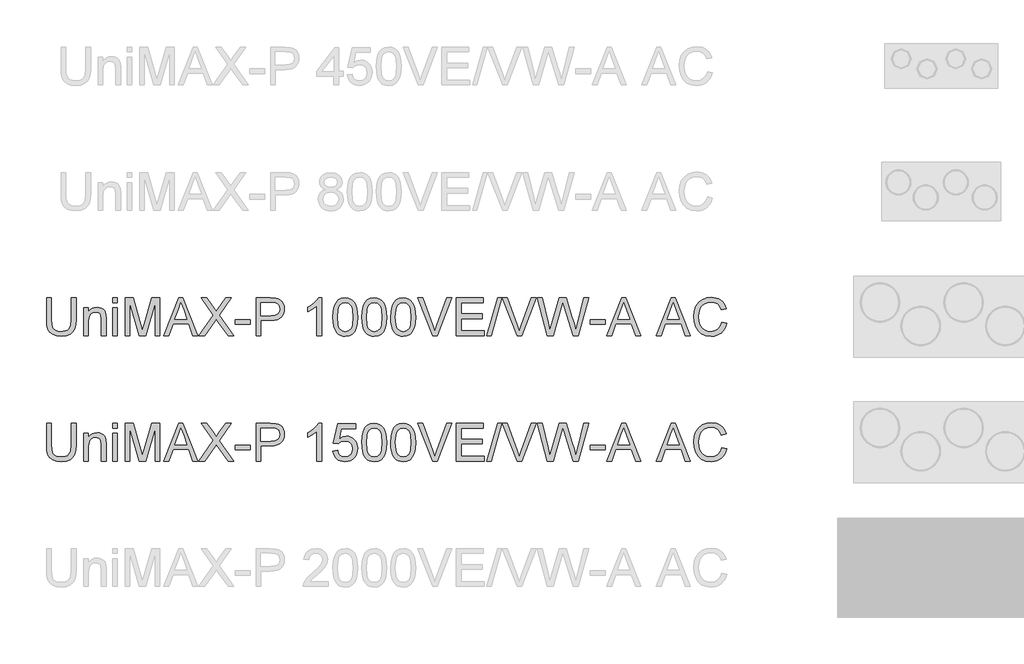
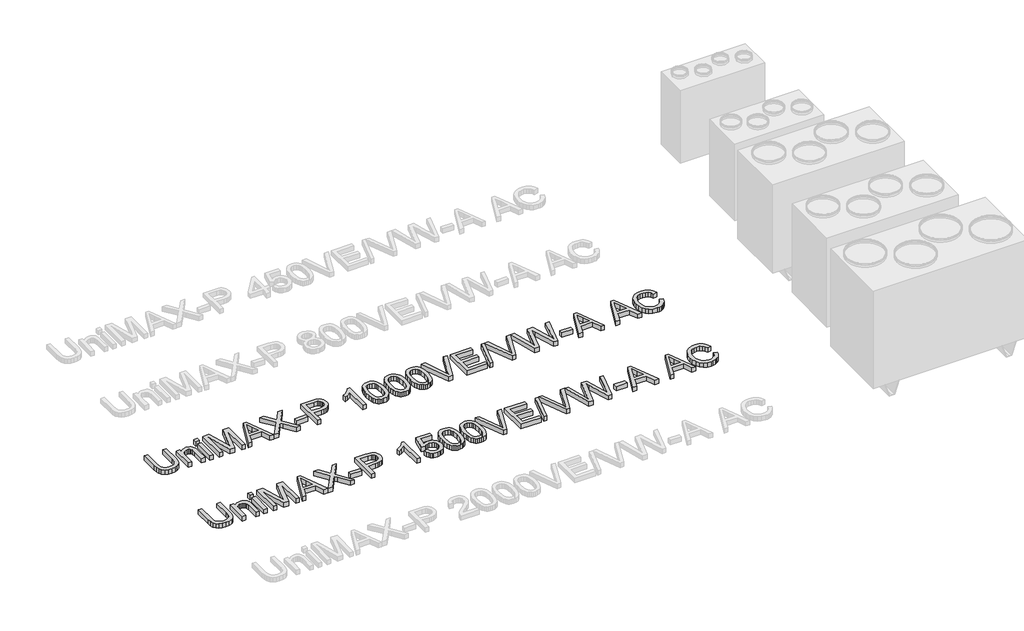
# One storey, part 17 of 74: 2 proxies.
"""IFC4 building model written with IfcOpenShell, lengths in millimetres."""

from ifc_helpers import new_model, si_unit, origin, origin_with_axes, place, context, project, spatial, polyline, outline, extrude, element, save

model = new_model("IFC4")

# Units and contexts
model_context = context("Model", 3, world=origin())
ifc_project = project(units=[si_unit("LENGTHUNIT", "METRE", prefix="MILLI")], contexts=[model_context])

# Site, building, storey
site = spatial("IfcSite", under=ifc_project)
building = spatial("IfcBuilding", under=site)
storey = spatial("IfcBuildingStorey", under=building, Elevation=0.0)

# Proxies
placement = place(None, origin())
element("IfcBuildingElementProxy", 1, Name="Generic Models", at=placement, inside=storey, context=model_context, shape_type="SweptSolid", body=[
    extrude(outline(polyline([(11540.524986, -29731.9528304), (11578.1961023, -29731.9528304), (11578.1961023, -29905.8138613), (11575.6393225, -29946.5292011), (11567.9689829, -29977.8819441), (11553.6399791, -30002.0701853), (11531.1072069, -30021.2920196), (11500.3154839, -30033.8459926), (11461.2096279, -30038.0306503), (11422.9590974, -30034.3886186), (11392.3789066, -30023.4625233), (11369.4598583, -30005.6294436), (11354.1927555, -29981.2664585), (11345.6119079, -29948.5893403), (11342.7516254, -29905.8138613), (11342.7516254, -29731.9528304), (11380.4227417, -29731.9528304), (11380.4227417, -29904.4894861), (11382.2805458, -29938.3438267), (11387.853958, -29961.9158655), (11397.9523188, -29978.2406291), (11413.3849685, -29990.3531438), (11433.5081136, -29997.8579365), (11457.6779607, -30000.359534), (11495.9928705, -29995.4115212), (11510.3356698, -29989.2265052), (11521.4686987, -29980.5674827), (11529.8058244, -29968.3905887), (11535.7609142, -29951.6519579), (11540.524986, -29904.4894861), (11540.524986, -29731.9528304)])), origin_with_axes(), (0.0, 0.0, 1.0), 50.0),
    extrude(outline(polyline([(11639.4116663, -30033.3217608), (11639.4116663, -29812.0039525), (11677.0827826, -29812.0039525), (11677.0827826, -29842.9060401), (11690.1701846, -29827.3262376), (11705.8879428, -29816.1978072), (11724.2360574, -29809.520749), (11745.2145281, -29807.295063), (11763.7833718, -29809.0884877), (11780.7887171, -29814.4687619), (11794.970568, -29822.7645009), (11805.0689287, -29833.30432), (11816.362906, -29861.0058343), (11818.3494688, -29897.4261518), (11818.3494688, -30033.3217608), (11780.6783525, -30033.3217608), (11780.6783525, -29902.5029233), (11776.3373449, -29869.1728146), (11770.3316713, -29859.2491977), (11760.9966657, -29851.551267), (11749.0313038, -29846.6124512), (11735.1345615, -29844.9661793), (11713.0708388, -29848.6633933), (11694.2628718, -29859.7550355), (11686.7465828, -29868.8095311), (11681.3778049, -29881.1841617), (11677.0827826, -29915.8938279), (11677.0827826, -30033.3217608), (11639.4116663, -30033.3217608)])), origin_with_axes(), (0.0, 0.0, 1.0), 50.0),
    extrude(outline(polyline([(11870.1472537, -30033.3217608), (11870.1472537, -29812.0039525), (11907.81837, -29812.0039525), (11907.81837, -30033.3217608), (11870.1472537, -30033.3217608)])), origin_with_axes(), (0.0, 0.0, 1.0), 50.0),
    extrude(outline(polyline([(11870.1472537, -29769.6239467), (11870.1472537, -29731.9528304), (11907.81837, -29731.9528304), (11907.81837, -29769.6239467), (11870.1472537, -29769.6239467)])), origin_with_axes(), (0.0, 0.0, 1.0), 50.0),
    extrude(outline(polyline([(11969.033934, -30033.3217608), (11969.033934, -29731.9528304), (12033.8547415, -29731.9528304), (12095.5117639, -29944.3678944), (12107.9461754, -29988.734463), (12121.4106564, -29940.6890744), (12182.0376092, -29731.9528304), (12246.8584168, -29731.9528304), (12246.8584168, -30033.3217608), (12209.1873004, -30033.3217608), (12209.1873004, -29769.6239467), (12133.4771858, -30033.3217608), (12082.4151649, -30033.3217608), (12006.7050503, -29769.6239467), (12006.7050503, -30033.3217608), (11969.033934, -30033.3217608)])), origin_with_axes(), (0.0, 0.0, 1.0), 50.0),
    extrude(outline(polyline([(12277.6869279, -30033.3217608), (12397.9843404, -29731.9528304), (12430.0636503, -29731.9528304), (12550.3610628, -30033.3217608), (12510.5562309, -30033.3217608), (12476.0488997, -29939.14397), (12351.9255146, -29939.14397), (12317.4917598, -30033.3217608), (12277.6869279, -30033.3217608)]), holes=[polyline([(12365.7578776, -29901.4728537), (12462.2901131, -29901.4728537), (12435.1404219, -29827.3814199), (12414.0239954, -29769.6239467), (12395.2620136, -29820.9066968), (12365.7578776, -29901.4728537)])]), origin_with_axes(), (0.0, 0.0, 1.0), 50.0),
    extrude(outline(polyline([(12557.6451263, -30033.3217608), (12673.8222604, -29869.0992382), (12576.4806844, -29731.9528304), (12621.6565934, -29731.9528304), (12676.4710107, -29809.1344729), (12694.9386869, -29839.2272201), (12716.5701482, -29808.6194381), (12770.7959543, -29731.9528304), (12816.6340509, -29731.9528304), (12719.292475, -29869.5406965), (12835.469609, -30033.3217608), (12790.2937, -30033.3217608), (12712.8913282, -29924.1343846), (12696.7780969, -29901.4728537), (12679.0461847, -29926.3416766), (12603.4832229, -30033.3217608), (12557.6451263, -30033.3217608)])), origin_with_axes(), (0.0, 0.0, 1.0), 50.0),
    extrude(outline(polyline([(12849.5962776, -29943.8528596), (12849.5962776, -29906.1817433), (12967.3185161, -29906.1817433), (12967.3185161, -29943.8528596), (12849.5962776, -29943.8528596)])), origin_with_axes(), (0.0, 0.0, 1.0), 50.0),
    extrude(outline(polyline([(13014.4074115, -30033.3217608), (13014.4074115, -29731.9528304), (13126.0963852, -29731.9528304), (13171.1251414, -29734.8223099), (13191.2023013, -29740.18419), (13207.7294, -29748.9121903), (13221.0375311, -29761.4017841), (13231.4577886, -29778.0484443), (13238.1900292, -29797.6841458), (13240.4341093, -29819.1408632), (13238.9188954, -29837.640729), (13234.3732535, -29854.6598698), (13226.7971836, -29870.1982856), (13216.1906858, -29884.2559764), (13201.6294566, -29895.9086386), (13182.1891924, -29904.2319687), (13157.8698933, -29909.2259668), (13128.6715592, -29910.8906328), (13052.0785278, -29910.8906328), (13052.0785278, -30033.3217608), (13014.4074115, -30033.3217608)]), holes=[polyline([(13052.0785278, -29873.2195165), (13130.8788512, -29873.2195165), (13164.2825363, -29869.7614257), (13186.355456, -29859.3871535), (13198.6611088, -29842.7404932), (13202.762993, -29820.4652384), (13200.3441689, -29803.5426666), (13193.0876965, -29789.2688452), (13181.8948868, -29778.5266909), (13167.6670507, -29772.1991206), (13129.9959344, -29769.6239467), (13052.0785278, -29769.6239467), (13052.0785278, -29873.2195165)])]), origin_with_axes(), (0.0, 0.0, 1.0), 50.0),
    extrude(outline(polyline([(13537.0941502, -30033.3217608), (13499.4230339, -30033.3217608), (13499.4230339, -29798.4658951), (13463.7384804, -29823.8865409), (13424.0808013, -29842.9060401), (13424.0808013, -29807.295063), (13453.6677108, -29791.2002257), (13479.2998888, -29772.0519678), (13499.5058074, -29751.6896994), (13512.8139386, -29731.9528304), (13537.0941502, -29731.9528304), (13537.0941502, -30033.3217608)])), origin_with_axes(), (0.0, 0.0, 1.0), 50.0),
    extrude(outline(polyline([(13626.5630515, -29885.0653167), (13629.3313635, -29836.8267901), (13637.6362995, -29798.3555305), (13651.3950861, -29769.0629266), (13670.5249499, -29748.3603673), (13695.1638465, -29736.0547146), (13725.4497318, -29731.9528304), (13748.6630857, -29734.3808515), (13769.4484184, -29741.664915), (13786.8308427, -29753.5199123), (13799.8354712, -29769.6607349), (13809.6579205, -29789.9494269), (13817.493807, -29814.2480327), (13822.6257608, -29845.104135), (13824.3364121, -29885.0653167), (13821.5956912, -29933.0279319), (13813.3735286, -29971.407221), (13799.6975154, -30000.727416), (13780.5952428, -30021.5127488), (13755.9011639, -30033.9011749), (13725.4497318, -30038.0306503), (13704.7011872, -30036.2372256), (13686.3070875, -30030.8569514), (13670.2674325, -30021.8898278), (13656.5822223, -30009.3358547), (13643.448835, -29986.6421341), (13634.0678442, -29958.3658043), (13628.4392496, -29924.5068652), (13626.5630515, -29885.0653167)]), holes=[polyline([(13664.2341678, -29884.9917403), (13668.6487517, -29944.2483327), (13674.1669816, -29964.5163314), (13681.8925035, -29978.5441317), (13701.6109785, -29994.9056835), (13725.4497318, -30000.359534), (13749.2884851, -29994.8872894), (13769.00696, -29978.4705553), (13776.7324819, -29964.4197624), (13782.2507118, -29944.1563622), (13786.6652958, -29884.9917403), (13782.3978646, -29827.0687202), (13777.0635757, -29806.8674001), (13769.5955712, -29792.5062068), (13749.9138844, -29775.3445117), (13725.0082734, -29769.6239467), (13701.4270375, -29774.66393), (13682.4811147, -29789.78388), (13674.4980754, -29805.4188648), (13668.7959045, -29826.4985031), (13664.2341678, -29884.9917403)])]), origin_with_axes(), (0.0, 0.0, 1.0), 50.0),
    extrude(outline(polyline([(13857.2986388, -29885.0653167), (13860.0669509, -29836.8267901), (13868.3718869, -29798.3555305), (13882.1306735, -29769.0629266), (13901.2605373, -29748.3603673), (13925.8994339, -29736.0547146), (13956.1853191, -29731.9528304), (13979.398673, -29734.3808515), (14000.1840058, -29741.664915), (14017.56643, -29753.5199123), (14030.5710586, -29769.6607349), (14040.3935078, -29789.9494269), (14048.2293943, -29814.2480327), (14053.3613482, -29845.104135), (14055.0719994, -29885.0653167), (14052.3312786, -29933.0279319), (14044.109116, -29971.407221), (14030.4331028, -30000.727416), (14011.3308302, -30021.5127488), (13986.6367513, -30033.9011749), (13956.1853191, -30038.0306503), (13935.4367746, -30036.2372256), (13917.0426749, -30030.8569514), (13901.0030199, -30021.8898278), (13887.3178096, -30009.3358547), (13874.1844224, -29986.6421341), (13864.8034315, -29958.3658043), (13859.174837, -29924.5068652), (13857.2986388, -29885.0653167)]), holes=[polyline([(13894.9697551, -29884.9917403), (13899.3843391, -29944.2483327), (13904.902569, -29964.5163314), (13912.6280909, -29978.5441317), (13932.3465659, -29994.9056835), (13956.1853191, -30000.359534), (13980.0240724, -29994.8872894), (13999.7425474, -29978.4705553), (14007.4680693, -29964.4197624), (14012.9862992, -29944.1563622), (14017.4008831, -29884.9917403), (14013.133452, -29827.0687202), (14007.7991631, -29806.8674001), (14000.3311586, -29792.5062068), (13980.6494718, -29775.3445117), (13955.7438607, -29769.6239467), (13932.1626249, -29774.66393), (13913.2167021, -29789.78388), (13905.2336628, -29805.4188648), (13899.5314919, -29826.4985031), (13894.9697551, -29884.9917403)])]), origin_with_axes(), (0.0, 0.0, 1.0), 50.0),
    extrude(outline(polyline([(14088.0342262, -29885.0653167), (14090.8025382, -29836.8267901), (14099.1074743, -29798.3555305), (14112.8662609, -29769.0629266), (14131.9961246, -29748.3603673), (14156.6350213, -29736.0547146), (14186.9209065, -29731.9528304), (14210.1342604, -29734.3808515), (14230.9195931, -29741.664915), (14248.3020174, -29753.5199123), (14261.3066459, -29769.6607349), (14271.1290952, -29789.9494269), (14278.9649817, -29814.2480327), (14284.0969355, -29845.104135), (14285.8075868, -29885.0653167), (14283.066866, -29933.0279319), (14274.8447034, -29971.407221), (14261.1686902, -30000.727416), (14242.0664176, -30021.5127488), (14217.3723387, -30033.9011749), (14186.9209065, -30038.0306503), (14166.172362, -30036.2372256), (14147.7782622, -30030.8569514), (14131.7386072, -30021.8898278), (14118.053397, -30009.3358547), (14104.9200098, -29986.6421341), (14095.5390189, -29958.3658043), (14089.9104244, -29924.5068652), (14088.0342262, -29885.0653167)]), holes=[polyline([(14125.7053425, -29884.9917403), (14130.1199265, -29944.2483327), (14135.6381564, -29964.5163314), (14143.3636783, -29978.5441317), (14163.0821532, -29994.9056835), (14186.9209065, -30000.359534), (14210.7596598, -29994.8872894), (14230.4781347, -29978.4705553), (14238.2036566, -29964.4197624), (14243.7218866, -29944.1563622), (14248.1364705, -29884.9917403), (14243.8690394, -29827.0687202), (14238.5347504, -29806.8674001), (14231.0667459, -29792.5062068), (14211.3850592, -29775.3445117), (14186.4794481, -29769.6239467), (14162.8982122, -29774.66393), (14143.9522895, -29789.78388), (14135.9692502, -29805.4188648), (14130.2670793, -29826.4985031), (14125.7053425, -29884.9917403)])]), origin_with_axes(), (0.0, 0.0, 1.0), 50.0),
    extrude(outline(polyline([(14421.923925, -30033.3217608), (14301.9943946, -29731.9528304), (14342.3142613, -29731.9528304), (14422.5861126, -29949.0767839), (14438.8464968, -29998.0050893), (14454.8861518, -29949.0767839), (14535.3787323, -29731.9528304), (14575.698599, -29731.9528304), (14460.8458401, -30033.3217608), (14421.923925, -30033.3217608)])), origin_with_axes(), (0.0, 0.0, 1.0), 50.0),
    extrude(outline(polyline([(14610.720965, -30033.3217608), (14610.720965, -29731.9528304), (14827.3298837, -29731.9528304), (14827.3298837, -29769.6239467), (14648.3920813, -29769.6239467), (14648.3920813, -29859.0928479), (14817.9121046, -29859.0928479), (14817.9121046, -29896.7639642), (14648.3920813, -29896.7639642), (14648.3920813, -29995.6506445), (14832.0387733, -29995.6506445), (14832.0387733, -30033.3217608), (14610.720965, -30033.3217608)])), origin_with_axes(), (0.0, 0.0, 1.0), 50.0),
    extrude(outline(polyline([(14855.5832209, -30033.3217608), (14940.3432326, -29731.9528304), (14974.335529, -29731.9528304), (14889.5755173, -30033.3217608), (14855.5832209, -30033.3217608)])), origin_with_axes(), (0.0, 0.0, 1.0), 50.0),
    extrude(outline(polyline([(15095.295129, -30033.3217608), (14975.3655986, -29731.9528304), (15015.6854652, -29731.9528304), (15095.9573166, -29949.0767839), (15112.2177008, -29998.0050893), (15128.2573558, -29949.0767839), (15208.7499363, -29731.9528304), (15249.069803, -29731.9528304), (15134.2170441, -30033.3217608), (15095.295129, -30033.3217608)])), origin_with_axes(), (0.0, 0.0, 1.0), 50.0),
    extrude(outline(polyline([(15338.0236694, -30033.3217608), (15255.8388317, -29731.9528304), (15294.6871704, -29731.9528304), (15342.364677, -29930.0204966), (15357.0799568, -29991.1624842), (15372.8253062, -29937.0838309), (15432.5693422, -29731.9528304), (15488.5609819, -29731.9528304), (15531.9710573, -29880.6507328), (15550.5674921, -29935.8330321), (15564.2710965, -29991.1624842), (15578.5449179, -29931.7863301), (15626.6638828, -29731.9528304), (15665.5122215, -29731.9528304), (15583.2538074, -30033.3217608), (15543.0075171, -30033.3217608), (15470.7554933, -29800.8203398), (15460.6755266, -29768.3731479), (15449.3447612, -29807.4422158), (15383.493884, -30033.3217608), (15338.0236694, -30033.3217608)])), origin_with_axes(), (0.0, 0.0, 1.0), 50.0),
    extrude(outline(polyline([(15679.6388901, -29943.8528596), (15679.6388901, -29906.1817433), (15797.3611286, -29906.1817433), (15797.3611286, -29943.8528596), (15679.6388901, -29943.8528596)])), origin_with_axes(), (0.0, 0.0, 1.0), 50.0),
    extrude(outline(polyline([(15809.3540816, -30033.3217608), (15929.6514941, -29731.9528304), (15961.730804, -29731.9528304), (16082.0282165, -30033.3217608), (16042.2233846, -30033.3217608), (16007.7160534, -29939.14397), (15883.5926683, -29939.14397), (15849.1589135, -30033.3217608), (15809.3540816, -30033.3217608)]), holes=[polyline([(15897.4250313, -29901.4728537), (15993.9572668, -29901.4728537), (15966.8075756, -29827.3814199), (15945.6911491, -29769.6239467), (15926.9291673, -29820.9066968), (15897.4250313, -29901.4728537)])]), origin_with_axes(), (0.0, 0.0, 1.0), 50.0),
    extrude(outline(polyline([(16204.9008029, -30033.3217608), (16325.1982153, -29731.9528304), (16357.2775253, -29731.9528304), (16477.5749377, -30033.3217608), (16437.7701058, -30033.3217608), (16403.2627747, -29939.14397), (16279.1393895, -29939.14397), (16244.7056347, -30033.3217608), (16204.9008029, -30033.3217608)]), holes=[polyline([(16292.9717525, -29901.4728537), (16389.503988, -29901.4728537), (16362.3542968, -29827.3814199), (16341.2378703, -29769.6239467), (16322.4758885, -29820.9066968), (16292.9717525, -29901.4728537)])]), origin_with_axes(), (0.0, 0.0, 1.0), 50.0),
    extrude(outline(polyline([(16729.7212572, -29926.1945238), (16767.3923735, -29935.9066085), (16759.9381646, -29959.3337938), (16750.0099492, -29979.8041276), (16737.6077274, -29997.3176098), (16722.7314993, -30011.8742405), (16705.716957, -30023.3176698), (16686.8997929, -30031.4915479), (16666.2800071, -30036.3958747), (16643.8575995, -30038.0306503), (16600.1624155, -30033.0826375), (16565.4619463, -30018.238599), (16538.8640781, -29994.0135696), (16519.4766969, -29960.9225842), (16507.6400937, -29922.0190632), (16503.6945593, -29880.3564272), (16508.1551285, -29836.4129229), (16521.5368361, -29798.4658951), (16543.1407063, -29767.7201573), (16572.2677632, -29745.3805232), (16606.8118826, -29731.7780864), (16644.6669399, -29727.2439408), (16685.9708909, -29733.1116586), (16703.9396271, -29740.4463059), (16720.1195371, -29750.7148121), (16734.2439065, -29763.6458642), (16746.0460207, -29778.9681493), (16762.6834839, -29816.7864184), (16725.0123676, -29825.7627391), (16711.9525568, -29798.2911511), (16694.11028, -29779.4463959), (16671.2648081, -29768.5478918), (16643.1954119, -29764.9150571), (16610.8401904, -29768.943365), (16584.2607163, -29781.0282885), (16564.0915859, -29799.9006349), (16550.9673957, -29824.2912111), (16543.7661057, -29851.8639667), (16541.3656756, -29880.2828508), (16544.2075641, -29915.0844876), (16552.7332293, -29945.1772348), (16567.2645681, -29969.4114612), (16588.1234772, -29986.6375356), (16613.1302559, -29996.9290344), (16640.1052032, -30000.359534), (16671.5499167, -29995.6874327), (16697.7523118, -29981.6711287), (16717.5351661, -29958.4577748), (16729.7212572, -29926.1945238)])), origin_with_axes(), (0.0, 0.0, 1.0), 50.0),
])
element("IfcBuildingElementProxy", 2, Name="Generic Models", at=placement, inside=storey, context=model_context, shape_type="SweptSolid", body=[
    extrude(outline(polyline([(11540.524986, -30731.9528304), (11578.1961023, -30731.9528304), (11578.1961023, -30905.8138613), (11575.6393225, -30946.5292011), (11567.9689829, -30977.8819441), (11553.6399791, -31002.0701853), (11531.1072069, -31021.2920196), (11500.3154839, -31033.8459926), (11461.2096279, -31038.0306503), (11422.9590974, -31034.3886186), (11392.3789066, -31023.4625233), (11369.4598583, -31005.6294436), (11354.1927555, -30981.2664585), (11345.6119079, -30948.5893403), (11342.7516254, -30905.8138613), (11342.7516254, -30731.9528304), (11380.4227417, -30731.9528304), (11380.4227417, -30904.4894861), (11382.2805458, -30938.3438267), (11387.853958, -30961.9158655), (11397.9523188, -30978.2406291), (11413.3849685, -30990.3531438), (11433.5081136, -30997.8579365), (11457.6779607, -31000.359534), (11495.9928705, -30995.4115212), (11510.3356698, -30989.2265052), (11521.4686987, -30980.5674827), (11529.8058244, -30968.3905887), (11535.7609142, -30951.6519579), (11540.524986, -30904.4894861), (11540.524986, -30731.9528304)])), origin_with_axes(), (0.0, 0.0, 1.0), 50.0),
    extrude(outline(polyline([(11639.4116663, -31033.3217608), (11639.4116663, -30812.0039525), (11677.0827826, -30812.0039525), (11677.0827826, -30842.9060401), (11690.1701846, -30827.3262376), (11705.8879428, -30816.1978072), (11724.2360574, -30809.520749), (11745.2145281, -30807.295063), (11763.7833718, -30809.0884877), (11780.7887171, -30814.4687619), (11794.970568, -30822.7645009), (11805.0689287, -30833.30432), (11816.362906, -30861.0058343), (11818.3494688, -30897.4261518), (11818.3494688, -31033.3217608), (11780.6783525, -31033.3217608), (11780.6783525, -30902.5029233), (11776.3373449, -30869.1728146), (11770.3316713, -30859.2491977), (11760.9966657, -30851.551267), (11749.0313038, -30846.6124512), (11735.1345615, -30844.9661793), (11713.0708388, -30848.6633933), (11694.2628718, -30859.7550355), (11686.7465828, -30868.8095311), (11681.3778049, -30881.1841617), (11677.0827826, -30915.8938279), (11677.0827826, -31033.3217608), (11639.4116663, -31033.3217608)])), origin_with_axes(), (0.0, 0.0, 1.0), 50.0),
    extrude(outline(polyline([(11870.1472537, -31033.3217608), (11870.1472537, -30812.0039525), (11907.81837, -30812.0039525), (11907.81837, -31033.3217608), (11870.1472537, -31033.3217608)])), origin_with_axes(), (0.0, 0.0, 1.0), 50.0),
    extrude(outline(polyline([(11870.1472537, -30769.6239467), (11870.1472537, -30731.9528304), (11907.81837, -30731.9528304), (11907.81837, -30769.6239467), (11870.1472537, -30769.6239467)])), origin_with_axes(), (0.0, 0.0, 1.0), 50.0),
    extrude(outline(polyline([(11969.033934, -31033.3217608), (11969.033934, -30731.9528304), (12033.8547415, -30731.9528304), (12095.5117639, -30944.3678944), (12107.9461754, -30988.734463), (12121.4106564, -30940.6890744), (12182.0376092, -30731.9528304), (12246.8584168, -30731.9528304), (12246.8584168, -31033.3217608), (12209.1873004, -31033.3217608), (12209.1873004, -30769.6239467), (12133.4771858, -31033.3217608), (12082.4151649, -31033.3217608), (12006.7050503, -30769.6239467), (12006.7050503, -31033.3217608), (11969.033934, -31033.3217608)])), origin_with_axes(), (0.0, 0.0, 1.0), 50.0),
    extrude(outline(polyline([(12277.6869279, -31033.3217608), (12397.9843404, -30731.9528304), (12430.0636503, -30731.9528304), (12550.3610628, -31033.3217608), (12510.5562309, -31033.3217608), (12476.0488997, -30939.14397), (12351.9255146, -30939.14397), (12317.4917598, -31033.3217608), (12277.6869279, -31033.3217608)]), holes=[polyline([(12365.7578776, -30901.4728537), (12462.2901131, -30901.4728537), (12435.1404219, -30827.3814199), (12414.0239954, -30769.6239467), (12395.2620136, -30820.9066968), (12365.7578776, -30901.4728537)])]), origin_with_axes(), (0.0, 0.0, 1.0), 50.0),
    extrude(outline(polyline([(12557.6451263, -31033.3217608), (12673.8222604, -30869.0992382), (12576.4806844, -30731.9528304), (12621.6565934, -30731.9528304), (12676.4710107, -30809.1344729), (12694.9386869, -30839.2272201), (12716.5701482, -30808.6194381), (12770.7959543, -30731.9528304), (12816.6340509, -30731.9528304), (12719.292475, -30869.5406965), (12835.469609, -31033.3217608), (12790.2937, -31033.3217608), (12712.8913282, -30924.1343846), (12696.7780969, -30901.4728537), (12679.0461847, -30926.3416766), (12603.4832229, -31033.3217608), (12557.6451263, -31033.3217608)])), origin_with_axes(), (0.0, 0.0, 1.0), 50.0),
    extrude(outline(polyline([(12849.5962776, -30943.8528596), (12849.5962776, -30906.1817433), (12967.3185161, -30906.1817433), (12967.3185161, -30943.8528596), (12849.5962776, -30943.8528596)])), origin_with_axes(), (0.0, 0.0, 1.0), 50.0),
    extrude(outline(polyline([(13014.4074115, -31033.3217608), (13014.4074115, -30731.9528304), (13126.0963852, -30731.9528304), (13171.1251414, -30734.8223099), (13191.2023013, -30740.18419), (13207.7294, -30748.9121903), (13221.0375311, -30761.4017841), (13231.4577886, -30778.0484443), (13238.1900292, -30797.6841458), (13240.4341093, -30819.1408632), (13238.9188954, -30837.640729), (13234.3732535, -30854.6598698), (13226.7971836, -30870.1982856), (13216.1906858, -30884.2559764), (13201.6294566, -30895.9086386), (13182.1891924, -30904.2319687), (13157.8698933, -30909.2259668), (13128.6715592, -30910.8906328), (13052.0785278, -30910.8906328), (13052.0785278, -31033.3217608), (13014.4074115, -31033.3217608)]), holes=[polyline([(13052.0785278, -30873.2195165), (13130.8788512, -30873.2195165), (13164.2825363, -30869.7614257), (13186.355456, -30859.3871535), (13198.6611088, -30842.7404932), (13202.762993, -30820.4652384), (13200.3441689, -30803.5426666), (13193.0876965, -30789.2688452), (13181.8948868, -30778.5266909), (13167.6670507, -30772.1991206), (13129.9959344, -30769.6239467), (13052.0785278, -30769.6239467), (13052.0785278, -30873.2195165)])]), origin_with_axes(), (0.0, 0.0, 1.0), 50.0),
    extrude(outline(polyline([(13537.0941502, -31033.3217608), (13499.4230339, -31033.3217608), (13499.4230339, -30798.4658951), (13463.7384804, -30823.8865409), (13424.0808013, -30842.9060401), (13424.0808013, -30807.295063), (13453.6677108, -30791.2002257), (13479.2998888, -30772.0519678), (13499.5058074, -30751.6896994), (13512.8139386, -30731.9528304), (13537.0941502, -30731.9528304), (13537.0941502, -31033.3217608)])), origin_with_axes(), (0.0, 0.0, 1.0), 50.0),
    extrude(outline(polyline([(13626.5630515, -30953.2706387), (13664.2341678, -30948.5617491), (13671.1503493, -30971.1772948), (13683.2168787, -30987.3732996), (13700.3785738, -30997.1129754), (13722.5802522, -31000.359534), (13749.5827906, -30995.8437825), (13769.8163004, -30982.2965281), (13782.4530469, -30961.2812691), (13786.6652958, -30934.3615041), (13782.7197614, -30909.0144346), (13770.8831582, -30889.6270535), (13751.0635157, -30877.3214007), (13723.1688634, -30873.2195165), (13704.8943253, -30874.8565914), (13690.096272, -30879.767816), (13668.9430573, -30896.7639642), (13631.271941, -30892.0550747), (13664.2341678, -30736.6617199), (13810.2097435, -30736.6617199), (13810.2097435, -30774.3328362), (13694.694797, -30774.3328362), (13678.5815656, -30857.3270143), (13705.4921335, -30840.9930537), (13733.6902885, -30835.5484002), (13752.0361037, -30837.2360588), (13768.8873983, -30842.2990348), (13784.2441724, -30850.7373281), (13798.1064258, -30862.5509386), (13809.5820448, -30877.0178981), (13817.7789155, -30893.416238), (13822.6970379, -30911.7459584), (13824.3364121, -30932.0070593), (13818.431906, -30969.6781756), (13811.0512735, -30986.4719887), (13800.718388, -31001.9046384), (13785.0650091, -31017.7097686), (13766.799668, -31028.9991474), (13745.9223648, -31035.7727746), (13722.4330994, -31038.0306503), (13685.4333677, -31032.2273119), (13669.754697, -31024.9731388), (13655.9568229, -31014.8172964), (13644.4766054, -31002.2656226), (13635.7509043, -30987.823955), (13626.5630515, -30953.2706387)])), origin_with_axes(), (0.0, 0.0, 1.0), 50.0),
    extrude(outline(polyline([(13857.2986388, -30885.0653167), (13860.0669509, -30836.8267901), (13868.3718869, -30798.3555305), (13882.1306735, -30769.0629266), (13901.2605373, -30748.3603673), (13925.8994339, -30736.0547146), (13956.1853191, -30731.9528304), (13979.398673, -30734.3808515), (14000.1840058, -30741.664915), (14017.56643, -30753.5199123), (14030.5710586, -30769.6607349), (14040.3935078, -30789.9494269), (14048.2293943, -30814.2480327), (14053.3613482, -30845.104135), (14055.0719994, -30885.0653167), (14052.3312786, -30933.0279319), (14044.109116, -30971.407221), (14030.4331028, -31000.727416), (14011.3308302, -31021.5127488), (13986.6367513, -31033.9011749), (13956.1853191, -31038.0306503), (13935.4367746, -31036.2372256), (13917.0426749, -31030.8569514), (13901.0030199, -31021.8898278), (13887.3178096, -31009.3358547), (13874.1844224, -30986.6421341), (13864.8034315, -30958.3658043), (13859.174837, -30924.5068652), (13857.2986388, -30885.0653167)]), holes=[polyline([(13894.9697551, -30884.9917403), (13899.3843391, -30944.2483327), (13904.902569, -30964.5163314), (13912.6280909, -30978.5441317), (13932.3465659, -30994.9056835), (13956.1853191, -31000.359534), (13980.0240724, -30994.8872894), (13999.7425474, -30978.4705553), (14007.4680693, -30964.4197624), (14012.9862992, -30944.1563622), (14017.4008831, -30884.9917403), (14013.133452, -30827.0687202), (14007.7991631, -30806.8674001), (14000.3311586, -30792.5062068), (13980.6494718, -30775.3445117), (13955.7438607, -30769.6239467), (13932.1626249, -30774.66393), (13913.2167021, -30789.78388), (13905.2336628, -30805.4188648), (13899.5314919, -30826.4985031), (13894.9697551, -30884.9917403)])]), origin_with_axes(), (0.0, 0.0, 1.0), 50.0),
    extrude(outline(polyline([(14088.0342262, -30885.0653167), (14090.8025382, -30836.8267901), (14099.1074743, -30798.3555305), (14112.8662609, -30769.0629266), (14131.9961246, -30748.3603673), (14156.6350213, -30736.0547146), (14186.9209065, -30731.9528304), (14210.1342604, -30734.3808515), (14230.9195931, -30741.664915), (14248.3020174, -30753.5199123), (14261.3066459, -30769.6607349), (14271.1290952, -30789.9494269), (14278.9649817, -30814.2480327), (14284.0969355, -30845.104135), (14285.8075868, -30885.0653167), (14283.066866, -30933.0279319), (14274.8447034, -30971.407221), (14261.1686902, -31000.727416), (14242.0664176, -31021.5127488), (14217.3723387, -31033.9011749), (14186.9209065, -31038.0306503), (14166.172362, -31036.2372256), (14147.7782622, -31030.8569514), (14131.7386072, -31021.8898278), (14118.053397, -31009.3358547), (14104.9200098, -30986.6421341), (14095.5390189, -30958.3658043), (14089.9104244, -30924.5068652), (14088.0342262, -30885.0653167)]), holes=[polyline([(14125.7053425, -30884.9917403), (14130.1199265, -30944.2483327), (14135.6381564, -30964.5163314), (14143.3636783, -30978.5441317), (14163.0821532, -30994.9056835), (14186.9209065, -31000.359534), (14210.7596598, -30994.8872894), (14230.4781347, -30978.4705553), (14238.2036566, -30964.4197624), (14243.7218866, -30944.1563622), (14248.1364705, -30884.9917403), (14243.8690394, -30827.0687202), (14238.5347504, -30806.8674001), (14231.0667459, -30792.5062068), (14211.3850592, -30775.3445117), (14186.4794481, -30769.6239467), (14162.8982122, -30774.66393), (14143.9522895, -30789.78388), (14135.9692502, -30805.4188648), (14130.2670793, -30826.4985031), (14125.7053425, -30884.9917403)])]), origin_with_axes(), (0.0, 0.0, 1.0), 50.0),
    extrude(outline(polyline([(14421.923925, -31033.3217608), (14301.9943946, -30731.9528304), (14342.3142613, -30731.9528304), (14422.5861126, -30949.0767839), (14438.8464968, -30998.0050893), (14454.8861518, -30949.0767839), (14535.3787323, -30731.9528304), (14575.698599, -30731.9528304), (14460.8458401, -31033.3217608), (14421.923925, -31033.3217608)])), origin_with_axes(), (0.0, 0.0, 1.0), 50.0),
    extrude(outline(polyline([(14610.720965, -31033.3217608), (14610.720965, -30731.9528304), (14827.3298837, -30731.9528304), (14827.3298837, -30769.6239467), (14648.3920813, -30769.6239467), (14648.3920813, -30859.0928479), (14817.9121046, -30859.0928479), (14817.9121046, -30896.7639642), (14648.3920813, -30896.7639642), (14648.3920813, -30995.6506445), (14832.0387733, -30995.6506445), (14832.0387733, -31033.3217608), (14610.720965, -31033.3217608)])), origin_with_axes(), (0.0, 0.0, 1.0), 50.0),
    extrude(outline(polyline([(14855.5832209, -31033.3217608), (14940.3432326, -30731.9528304), (14974.335529, -30731.9528304), (14889.5755173, -31033.3217608), (14855.5832209, -31033.3217608)])), origin_with_axes(), (0.0, 0.0, 1.0), 50.0),
    extrude(outline(polyline([(15095.295129, -31033.3217608), (14975.3655986, -30731.9528304), (15015.6854652, -30731.9528304), (15095.9573166, -30949.0767839), (15112.2177008, -30998.0050893), (15128.2573558, -30949.0767839), (15208.7499363, -30731.9528304), (15249.069803, -30731.9528304), (15134.2170441, -31033.3217608), (15095.295129, -31033.3217608)])), origin_with_axes(), (0.0, 0.0, 1.0), 50.0),
    extrude(outline(polyline([(15338.0236694, -31033.3217608), (15255.8388317, -30731.9528304), (15294.6871704, -30731.9528304), (15342.364677, -30930.0204966), (15357.0799568, -30991.1624842), (15372.8253062, -30937.0838309), (15432.5693422, -30731.9528304), (15488.5609819, -30731.9528304), (15531.9710573, -30880.6507328), (15550.5674921, -30935.8330321), (15564.2710965, -30991.1624842), (15578.5449179, -30931.7863301), (15626.6638828, -30731.9528304), (15665.5122215, -30731.9528304), (15583.2538074, -31033.3217608), (15543.0075171, -31033.3217608), (15470.7554933, -30800.8203398), (15460.6755266, -30768.3731479), (15449.3447612, -30807.4422158), (15383.493884, -31033.3217608), (15338.0236694, -31033.3217608)])), origin_with_axes(), (0.0, 0.0, 1.0), 50.0),
    extrude(outline(polyline([(15679.6388901, -30943.8528596), (15679.6388901, -30906.1817433), (15797.3611286, -30906.1817433), (15797.3611286, -30943.8528596), (15679.6388901, -30943.8528596)])), origin_with_axes(), (0.0, 0.0, 1.0), 50.0),
    extrude(outline(polyline([(15809.3540816, -31033.3217608), (15929.6514941, -30731.9528304), (15961.730804, -30731.9528304), (16082.0282165, -31033.3217608), (16042.2233846, -31033.3217608), (16007.7160534, -30939.14397), (15883.5926683, -30939.14397), (15849.1589135, -31033.3217608), (15809.3540816, -31033.3217608)]), holes=[polyline([(15897.4250313, -30901.4728537), (15993.9572668, -30901.4728537), (15966.8075756, -30827.3814199), (15945.6911491, -30769.6239467), (15926.9291673, -30820.9066968), (15897.4250313, -30901.4728537)])]), origin_with_axes(), (0.0, 0.0, 1.0), 50.0),
    extrude(outline(polyline([(16204.9008029, -31033.3217608), (16325.1982153, -30731.9528304), (16357.2775253, -30731.9528304), (16477.5749377, -31033.3217608), (16437.7701058, -31033.3217608), (16403.2627747, -30939.14397), (16279.1393895, -30939.14397), (16244.7056347, -31033.3217608), (16204.9008029, -31033.3217608)]), holes=[polyline([(16292.9717525, -30901.4728537), (16389.503988, -30901.4728537), (16362.3542968, -30827.3814199), (16341.2378703, -30769.6239467), (16322.4758885, -30820.9066968), (16292.9717525, -30901.4728537)])]), origin_with_axes(), (0.0, 0.0, 1.0), 50.0),
    extrude(outline(polyline([(16729.7212572, -30926.1945238), (16767.3923735, -30935.9066085), (16759.9381646, -30959.3337938), (16750.0099492, -30979.8041276), (16737.6077274, -30997.3176098), (16722.7314993, -31011.8742405), (16705.716957, -31023.3176698), (16686.8997929, -31031.4915479), (16666.2800071, -31036.3958747), (16643.8575995, -31038.0306503), (16600.1624155, -31033.0826375), (16565.4619463, -31018.238599), (16538.8640781, -30994.0135696), (16519.4766969, -30960.9225842), (16507.6400937, -30922.0190632), (16503.6945593, -30880.3564272), (16508.1551285, -30836.4129229), (16521.5368361, -30798.4658951), (16543.1407063, -30767.7201573), (16572.2677632, -30745.3805232), (16606.8118826, -30731.7780864), (16644.6669399, -30727.2439408), (16685.9708909, -30733.1116586), (16703.9396271, -30740.4463059), (16720.1195371, -30750.7148121), (16734.2439065, -30763.6458642), (16746.0460207, -30778.9681493), (16762.6834839, -30816.7864184), (16725.0123676, -30825.7627391), (16711.9525568, -30798.2911511), (16694.11028, -30779.4463959), (16671.2648081, -30768.5478918), (16643.1954119, -30764.9150571), (16610.8401904, -30768.943365), (16584.2607163, -30781.0282885), (16564.0915859, -30799.9006349), (16550.9673957, -30824.2912111), (16543.7661057, -30851.8639667), (16541.3656756, -30880.2828508), (16544.2075641, -30915.0844876), (16552.7332293, -30945.1772348), (16567.2645681, -30969.4114612), (16588.1234772, -30986.6375356), (16613.1302559, -30996.9290344), (16640.1052032, -31000.359534), (16671.5499167, -30995.6874327), (16697.7523118, -30981.6711287), (16717.5351661, -30958.4577748), (16729.7212572, -30926.1945238)])), origin_with_axes(), (0.0, 0.0, 1.0), 50.0),
])

save(model, "model.ifc")
